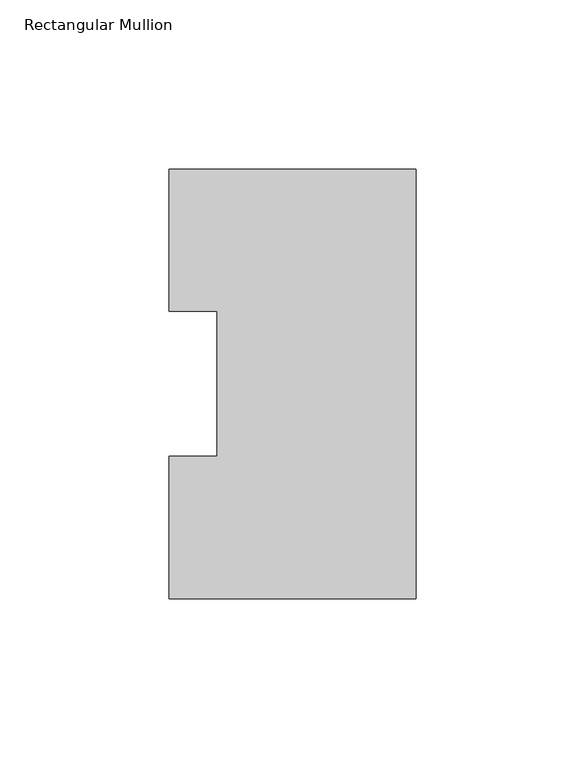
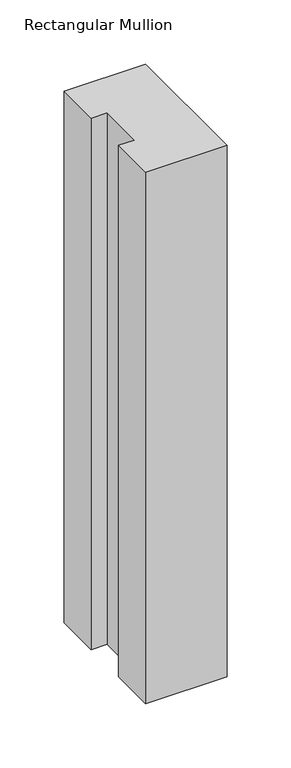
"""IFC4 building model written with IfcOpenShell, lengths in millimetres: member geometry, Rectangular Mullion."""

from ifc_helpers import new_model, si_unit, frame, origin, place, context, project, spatial, polyline, outline, extrude, source, transform, mapped, element, save


def rectangular_mullion_9ee8b5ff(model_context):
    return source(origin(), model_context, "Body", "SweptSolid", [
        extrude(outline(polyline([(0.0, 126.7086937), (0.0, -0.2913063), (-73.025, -0.2913063), (-73.025, 41.7837937), (-58.7375, 41.7837937), (-58.7375, 84.6335938), (-73.025, 84.6335938), (-73.025, 126.7086937), (0.0, 126.7086937)])), frame((0.0, 0.0, -504.825), z_axis=(0.0, 0.0, 1.0), x_axis=(1.0, 0.0, 0.0)), (0.0, 0.0, 1.0), 504.825),
    ])


if __name__ == "__main__":
    model = new_model("IFC4")
    model_context = context("Model", 3, world=origin())
    ifc_project = project(units=[si_unit("LENGTHUNIT", "METRE", prefix="MILLI")], contexts=[model_context])
    site = spatial("IfcSite", under=ifc_project)
    building = spatial("IfcBuilding", under=site)
    placement = place(None, origin())
    rectangular_mullion_shape = rectangular_mullion_9ee8b5ff(model_context)
    element("IfcMember", 1, ObjectType="Rectangular Mullion", at=placement, inside=building, context=model_context, shape_type="MappedRepresentation", body=[
        mapped(rectangular_mullion_shape, transform((0.0, 0.0, 0.0), x_axis=(1.0, 0.0, 0.0), y_axis=(0.0, 1.0, 0.0), z_axis=(0.0, 0.0, 1.0))),
    ])
    save(model, "model.ifc")
